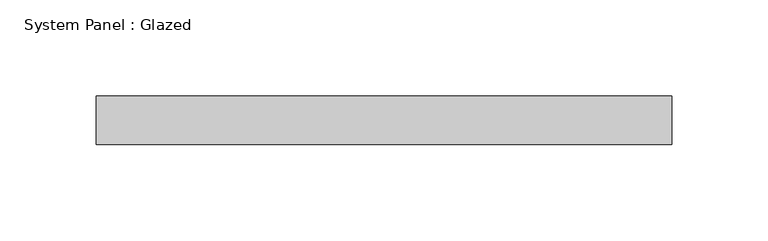
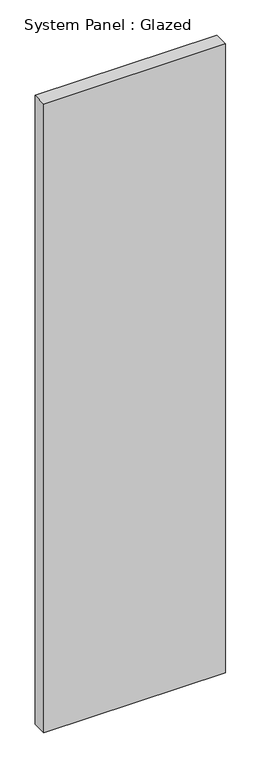
"""IFC4 building model written with IfcOpenShell, lengths in millimetres: plate geometry, System Panel : Glazed."""

import ifcopenshell
import ifcopenshell.guid

model = None  # the IFC model being written
_history = None  # IfcOwnerHistory: only IFC2X3 demands one
_inside = {}  # id of a spatial element -> (the spatial element, [elements in it])
_under = {}  # id of a project, library or spatial element -> (it, [spatial elements below it])
_declared = {}  # id of a project -> (the project, [libraries it declares])
_typed = {}  # id of a type object -> (the type object, [elements of that type])
_made_of = {}  # id of a material, layer set ... -> (it, [elements and type objects made of it])


def new_model(schema):
    """Start an empty IFC model of exactly this schema.

    Asked for "IFC4X3", IfcOpenShell would pick the latest addendum, in which some entities
    have other attributes; the version numbers below select the first issue.
    IFC2X3 requires an IfcOwnerHistory on every rooted entity: one is made here for all.
    """
    global model, _history
    if schema == "IFC4X3":
        model = ifcopenshell.file(schema_version=(4, 3, 0, 0))
    else:
        model = ifcopenshell.file(schema=schema)
    _inside.clear()
    _under.clear()
    _declared.clear()
    _typed.clear()
    _made_of.clear()
    _history = None
    if model.schema == "IFC2X3":
        org = make("IfcOrganization", Name="unknown")
        user = make(
            "IfcPersonAndOrganization",
            ThePerson=make("IfcPerson", FamilyName="unknown"),
            TheOrganization=org,
        )
        app = make(
            "IfcApplication",
            ApplicationDeveloper=org,
            Version="unknown",
            ApplicationFullName="unknown",
            ApplicationIdentifier="unknown",
        )
        _history = make(
            "IfcOwnerHistory",
            OwningUser=user,
            OwningApplication=app,
            ChangeAction="ADDED",
            CreationDate=0,
        )
    return model


def make(cls, **values):
    """One entity of the class cls with the attributes given. An attribute that is None is left unset."""
    return model.create_entity(
        cls, **{name: value for name, value in values.items() if value is not None}
    )


def rooted(cls, **values):
    """An entity with a GlobalId (a new one), such as an element, a storey or a relation."""
    return make(cls, GlobalId=ifcopenshell.guid.new(), OwnerHistory=_history, **values)


def si_unit(unit_type, name, prefix=None):
    """IfcSIUnit, for example si_unit("LENGTHUNIT", "METRE", prefix="MILLI")."""
    return make("IfcSIUnit", UnitType=unit_type, Prefix=prefix, Name=name)


def assignment(units):
    """IfcUnitAssignment: the units of a project."""
    return None if units is None else make("IfcUnitAssignment", Units=units)


def point(xyz):
    """IfcCartesianPoint."""
    return None if xyz is None else make("IfcCartesianPoint", Coordinates=xyz)


def direction(xyz):
    """IfcDirection."""
    return None if xyz is None else make("IfcDirection", DirectionRatios=xyz)


def frame(location, z_axis=None, x_axis=None):
    """IfcAxis2Placement3D, a coordinate frame: its origin and axes. An axis left out is left unset."""
    return make(
        "IfcAxis2Placement3D",
        Location=point(location),
        Axis=direction(z_axis),
        RefDirection=direction(x_axis),
    )


def origin():
    """The frame at (0, 0, 0) with its axes left unset."""
    return frame((0.0, 0.0, 0.0))


def origin_with_axes():
    """The frame at (0, 0, 0) with the z axis (0, 0, 1) and the x axis (1, 0, 0) written out."""
    return frame((0.0, 0.0, 0.0), z_axis=(0.0, 0.0, 1.0), x_axis=(1.0, 0.0, 0.0))


def place(relative_to, where):
    """IfcLocalPlacement: puts the frame where relative to a parent placement (None: the world)."""
    return make(
        "IfcLocalPlacement", PlacementRelTo=relative_to, RelativePlacement=where
    )


def context(
    kind, dimensions, precision=None, world=None, true_north=None, identifier=None
):
    """IfcGeometricRepresentationContext, for example the 3D "Model" context."""
    return make(
        "IfcGeometricRepresentationContext",
        ContextIdentifier=identifier,
        ContextType=kind,
        CoordinateSpaceDimension=dimensions,
        Precision=precision,
        WorldCoordinateSystem=world,
        TrueNorth=true_north,
    )


def project(units=None, contexts=None):
    """IfcProject with its units and contexts."""
    return rooted(
        "IfcProject",
        Name="project",
        RepresentationContexts=contexts,
        UnitsInContext=assignment(units),
    )


def spatial(cls, under=None, at=None, **own):
    """A site, building, storey or space (cls), placed at a placement, below another one or the project."""
    s = rooted(cls, ObjectPlacement=at, **own)
    if under is not None:
        _under.setdefault(under.id(), (under, []))[1].append(s)
    return s


def polyline(points):
    """IfcPolyline through the points."""
    return make("IfcPolyline", Points=[point(p) for p in points])


def outline(outer, holes=None, kind="AREA"):
    """IfcArbitraryClosedProfileDef: a profile drawn as a closed curve; with holes, ...WithVoids."""
    if holes is None:
        return make("IfcArbitraryClosedProfileDef", ProfileType=kind, OuterCurve=outer)
    return make(
        "IfcArbitraryProfileDefWithVoids",
        ProfileType=kind,
        OuterCurve=outer,
        InnerCurves=holes,
    )


def extrude(swept, where, along, depth):
    """IfcExtrudedAreaSolid: the profile swept, set in the frame where, extruded along a direction by depth."""
    return make(
        "IfcExtrudedAreaSolid",
        SweptArea=swept,
        Position=where,
        ExtrudedDirection=direction(along),
        Depth=depth,
    )


def shape(context_of_items, identifier, shape_type, items):
    """IfcShapeRepresentation: the items that make up one representation, for example the "Body"."""
    return make(
        "IfcShapeRepresentation",
        ContextOfItems=context_of_items,
        RepresentationIdentifier=identifier,
        RepresentationType=shape_type,
        Items=items,
    )


def source(mapping_origin, context_of_items, identifier, shape_type, items):
    """IfcRepresentationMap: a shape defined once, which mapped items show again and again."""
    return make(
        "IfcRepresentationMap",
        MappingOrigin=mapping_origin,
        MappedRepresentation=shape(context_of_items, identifier, shape_type, items),
    )


def transform(
    local_origin,
    x_axis=None,
    y_axis=None,
    z_axis=None,
    scale=None,
    scale2=None,
    scale3=None,
    uniform=True,
):
    """IfcCartesianTransformationOperator3D, or its non-uniform kind. x_axis, y_axis, z_axis: its Axis1, 2, 3."""
    if uniform:
        return make(
            "IfcCartesianTransformationOperator3D",
            Axis1=direction(x_axis),
            Axis2=direction(y_axis),
            LocalOrigin=point(local_origin),
            Scale=scale,
            Axis3=direction(z_axis),
        )
    return make(
        "IfcCartesianTransformationOperator3DnonUniform",
        Axis1=direction(x_axis),
        Axis2=direction(y_axis),
        LocalOrigin=point(local_origin),
        Scale=scale,
        Axis3=direction(z_axis),
        Scale2=scale2,
        Scale3=scale3,
    )


def mapped(mapping_source, mapping_target):
    """IfcMappedItem: shows the shape of a source again, moved by a transform."""
    return make(
        "IfcMappedItem", MappingSource=mapping_source, MappingTarget=mapping_target
    )


def made_of(thing, what):
    """Note that an element or type object is made of a material, layer set ...; save() writes the relation."""
    if what is not None:
        _made_of.setdefault(what.id(), (what, []))[1].append(thing)
    return thing


def element(
    cls,
    number,
    at=None,
    inside=None,
    cuts=None,
    type_object=None,
    material=None,
    context=None,
    identifier="Body",
    shape_type=None,
    held_by="IfcProductDefinitionShape",
    body=None,
    shapes=None,
    **own,
):
    """One element of the class cls, such as IfcWall. Its Tag is "e" and its number.

    at: its placement. inside: the storey or other place that contains it. cuts: it is an
    opening in that element (IfcRelVoidsElement). A single representation is given by context,
    identifier, shape_type and body (its items); several are given by shapes. held_by: the class
    of the entity that holds the representations. save() writes the other relations.
    """
    e = rooted(cls, Tag="e%d" % number, ObjectPlacement=at, **own)
    if body is not None:
        shapes = [shape(context, identifier, shape_type, body)]
    if shapes is not None:
        e.Representation = make(held_by, Representations=shapes)
    if inside is not None:
        _inside.setdefault(inside.id(), (inside, []))[1].append(e)
    if cuts is not None:
        rooted(
            "IfcRelVoidsElement", RelatingBuildingElement=cuts, RelatedOpeningElement=e
        )
    if type_object is not None:
        _typed.setdefault(type_object.id(), (type_object, []))[1].append(e)
    return made_of(e, material)


def aggregate(whole, parts):
    """IfcRelAggregates: a whole, such as a stair, and the parts it consists of."""
    return rooted("IfcRelAggregates", RelatingObject=whole, RelatedObjects=parts)


def save(model, path):
    """Write the relations noted so far, then the file.

    IfcRelAggregates (storeys below a building ...), IfcRelContainedInSpatialStructure (elements
    in a storey), IfcRelDefinesByType, IfcRelAssociatesMaterial and IfcRelDeclares: one each for
    every whole, place, type object, material and project.
    """
    for whole, parts in _under.values():
        aggregate(whole, parts)
    for where, things in _inside.values():
        rooted(
            "IfcRelContainedInSpatialStructure",
            RelatedElements=things,
            RelatingStructure=where,
        )
    for kind, things in _typed.values():
        rooted("IfcRelDefinesByType", RelatedObjects=things, RelatingType=kind)
    for what, things in _made_of.values():
        rooted("IfcRelAssociatesMaterial", RelatedObjects=things, RelatingMaterial=what)
    for by, libraries in _declared.values():
        rooted("IfcRelDeclares", RelatingContext=by, RelatedDefinitions=libraries)
    model.write(path)


def system_panel_glazed_0c45495f(model_context):
    return source(origin(), model_context, "Body", "SweptSolid", [
        extrude(outline(polyline([(149.9228669, -44.45), (-149.9228669, -44.45), (-149.9228669, -19.05), (149.9228669, -19.05), (149.9228669, -44.45)])), origin_with_axes(), (0.0, 0.0, 1.0), 1095.04),
    ])


if __name__ == "__main__":
    model = new_model("IFC4")
    model_context = context("Model", 3, world=origin())
    ifc_project = project(units=[si_unit("LENGTHUNIT", "METRE", prefix="MILLI")], contexts=[model_context])
    site = spatial("IfcSite", under=ifc_project)
    building = spatial("IfcBuilding", under=site)
    placement = place(None, origin())
    system_panel_glazed_shape = system_panel_glazed_0c45495f(model_context)
    element("IfcPlate", 1, ObjectType="System Panel : Glazed", at=placement, inside=building, context=model_context, shape_type="MappedRepresentation", body=[
        mapped(system_panel_glazed_shape, transform((0.0, 0.0, 0.0), x_axis=(1.0, 0.0, 0.0), y_axis=(0.0, 1.0, 0.0), z_axis=(0.0, 0.0, 1.0))),
    ])
    save(model, "model.ifc")
